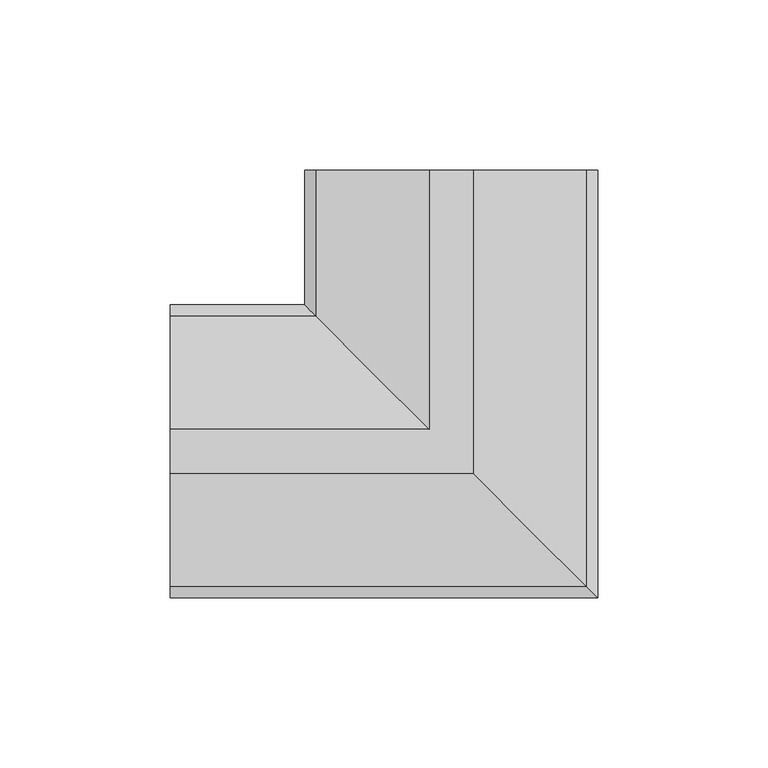
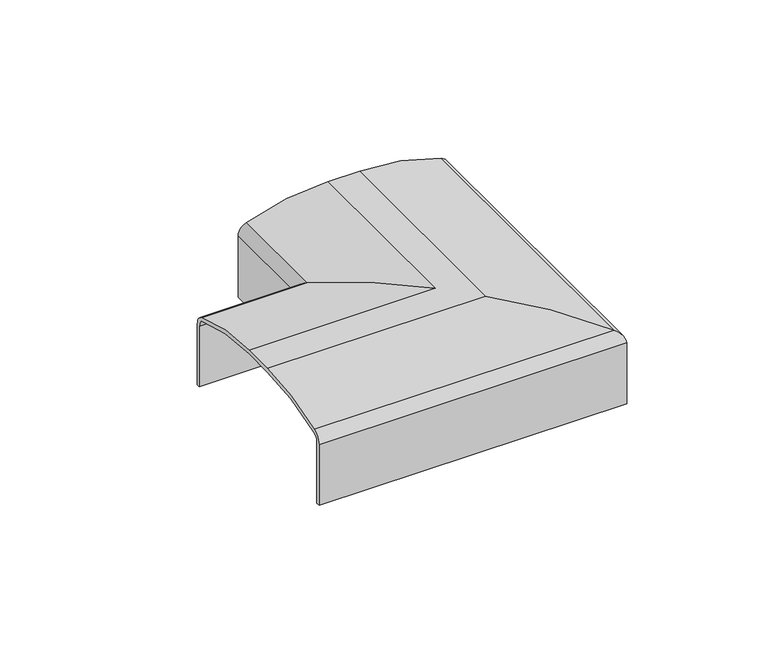
"""IFC4 building model written with IfcOpenShell, lengths in millimetres: proxy geometry."""

from ifc_helpers import new_model, si_unit, frame, origin, place, context, project, spatial, polyline, circle_curve, ellipse_curve, source, transform, mapped, element, save
from ifc_brep_helpers import plane_surface, cylinder_surface, revolved_surface, advanced_brep


def generic_models_224f447f(model_context):
    return source(origin(), model_context, "Body", "AdvancedBrep", [
        advanced_brep(
        [(43.0005548, 82.500555, -9.2098824), (43.0005548, 82.500555, -35.4217549), (41.5005548, 82.500555, -35.4217549), (41.5005548, 82.500555, -9.2881274), (39.2447947, 82.500555, -6.0167566), (6.5005548, 82.500555, 1e-07), (-6.4994452, 82.500555, 0.0), (-23.1456356, 82.500555, -1.5166706), (-39.223325, 82.500555, -6.0090156), (-41.4994452, 82.500555, -9.3098787), (-41.4994452, 82.500555, -35.4217549), (-42.9994452, 82.500555, -35.4217549), (-42.9994452, 82.500555, -9.2098824), (-39.7769308, 82.500555, -4.5364955), (-6.4994452, 82.500555, 1.5782451), (6.4994452, 82.500555, 1.5782451), (39.7769308, 82.500555, -4.5364955), (-82.4684984, -42.9988902, -9.2098824), (-82.4684984, -39.7763758, -4.5364955), (-82.4684984, -6.4988902, 1.5782451), (-82.4684984, 6.5000001, 1.5782451), (-82.4684984, 39.7774857, -4.5364955), (-82.4684984, 43.0000001, -9.2098824), (-82.4684984, 43.0000001, -35.4217549), (-82.4684984, 41.5000001, -35.4217549), (-82.4684984, 41.5000001, -9.3098787), (-82.4684984, 39.22388, -6.0090156), (-82.4684984, 23.1461903, -1.5166706), (-82.4684984, 6.5000001, 0.0), (-82.4684984, -6.4999999, 0.0), (-82.4684984, -39.2442398, -6.0167566), (-82.4684984, -41.4999999, -9.2881274), (-82.4684984, -41.4999999, -35.4217549), (-82.4684984, -42.9999999, -35.4217549), (43.0005548, -42.9988902, -9.2098824), (43.0005548, -42.9999999, -35.4217549), (41.5005548, -41.4999999, -35.4217549), (41.5005548, -41.4999999, -9.2881274), (39.2447947, -39.2442398, -6.0167566), (6.5005548, -6.4999999, 1e-07), (-6.4994452, 6.5000001, 0.0), (-23.1456356, 23.1461906, -1.5166706), (-39.223325, 39.22388, -6.0090156), (-41.4994452, 41.5000001, -9.3098787), (-41.4994452, 41.5000001, -35.4217549), (-42.9994452, 43.0000001, -35.4217549), (-42.9994452, 43.0000001, -9.2098824), (-39.7769308, 39.7774857, -4.5364955), (-6.4994452, 6.5000001, 1.5782451), (6.4994452, -6.4988902, 1.5782451), (39.7769308, -39.7763758, -4.5364955)],
        [
            (0, 1),
            (1, 2),
            (2, 3),
            (3, 4, circle_curve(frame((38.0005548, 82.500555, -9.2881274), z_axis=(0.0, -1.0, 0.0), x_axis=(1.0, 0.0, 0.0)), 3.5)),
            (4, 5, circle_curve(frame((6.5005548, 82.500555, -92.1083132), z_axis=(0.0, -1.0, 0.0), x_axis=(1.0, 0.0, 0.0)), 92.1083133)),
            (5, 6),
            (6, 7, circle_curve(frame((-6.4994452, 82.500555, -92.1083165), z_axis=(0.0, -1.0, 0.0), x_axis=(1.0, 0.0, 0.0)), 92.1083165)),
            (7, 8, circle_curve(frame((-6.4994452, 82.500555, -92.1083133), z_axis=(0.0, -1.0, 0.0), x_axis=(1.0, 0.0, 0.0)), 92.1083133)),
            (8, 9, circle_curve(frame((-38.3495818, 82.500555, -9.0466922), z_axis=(0.0, -1.0, 0.0), x_axis=(1.0, 0.0, 0.0)), 3.1608395)),
            (9, 10),
            (10, 11),
            (11, 12),
            (12, 13, circle_curve(frame((-37.9994452, 82.500555, -9.2098824), z_axis=(0.0, 1.0, 0.0), x_axis=(1.0, 0.0, 0.0)), 5.0)),
            (13, 14, circle_curve(frame((-6.4994452, 82.500555, -92.0300682), z_axis=(0.0, 1.0, 0.0), x_axis=(1.0, 0.0, 0.0)), 93.6083133)),
            (14, 15),
            (15, 16, circle_curve(frame((6.4994452, 82.500555, -92.0300682), z_axis=(0.0, 1.0, 0.0), x_axis=(1.0, 0.0, 0.0)), 93.6083133)),
            (16, 0, circle_curve(frame((37.9994452, 82.500555, -9.2098824), z_axis=(0.0, 1.0, 0.0), x_axis=(1.0, 0.0, 0.0)), 5.0)),
            (17, 18, circle_curve(frame((-82.4684984, -37.9988902, -9.2098824), z_axis=(-1.0, 0.0, 0.0), x_axis=(0.0, -1.0, 0.0)), 5.0)),
            (18, 19, circle_curve(frame((-82.4684984, -6.4988902, -92.0300682), z_axis=(-1.0, 0.0, 0.0), x_axis=(0.0, -1.0, 0.0)), 93.6083133)),
            (19, 20),
            (20, 21, circle_curve(frame((-82.4684984, 6.5000001, -92.0300682), z_axis=(-1.0, 0.0, 0.0), x_axis=(0.0, -1.0, 0.0)), 93.6083133)),
            (21, 22, circle_curve(frame((-82.4684984, 38.0000001, -9.2098824), z_axis=(-1.0, 0.0, 0.0), x_axis=(0.0, -1.0, 0.0)), 5.0)),
            (22, 23),
            (23, 24),
            (24, 25),
            (25, 26, circle_curve(frame((-82.4684984, 38.3501368, -9.0466922), z_axis=(1.0, 0.0, 0.0), x_axis=(0.0, -1.0, 0.0)), 3.1608395)),
            (26, 27, circle_curve(frame((-82.4684984, 6.5000001, -92.1083133), z_axis=(1.0, 0.0, 0.0), x_axis=(0.0, -1.0, 0.0)), 92.1083133)),
            (27, 28, circle_curve(frame((-82.4684984, 6.5000001, -92.1083165), z_axis=(1.0, 0.0, 0.0), x_axis=(0.0, -1.0, 0.0)), 92.1083165)),
            (28, 29),
            (29, 30, circle_curve(frame((-82.4684984, -6.4999999, -92.1083132), z_axis=(1.0, 0.0, 0.0), x_axis=(0.0, -1.0, 0.0)), 92.1083133)),
            (30, 31, circle_curve(frame((-82.4684984, -37.9999999, -9.2881274), z_axis=(1.0, 0.0, 0.0), x_axis=(0.0, -1.0, 0.0)), 3.5)),
            (31, 32),
            (32, 33),
            (33, 17),
            (0, 34),
            (34, 35),
            (35, 1),
            (35, 33),
            (32, 36),
            (36, 2),
            (36, 37),
            (37, 3),
            (37, 38, ellipse_curve(frame((38.0005548, -37.9999999, -9.2881274), z_axis=(-0.7071067811865475, -0.7071067811865475, 0.0), x_axis=(0.7071067811865474, -0.7071067811865476, 0.0)), 4.9497475, 3.5)),
            (38, 4),
            (38, 39, ellipse_curve(frame((6.5005548, -6.4999999, -92.1083132), z_axis=(-0.7071067811865475, -0.7071067811865475, 0.0), x_axis=(0.7071067811865474, -0.7071067811865476, 0.0)), 130.2608259, 92.1083133)),
            (39, 5),
            (39, 29),
            (28, 40),
            (40, 6),
            (40, 41, ellipse_curve(frame((-6.4994452, 6.5000001, -92.1083165), z_axis=(-0.7071067811865475, -0.7071067811865475, 0.0), x_axis=(0.7071067811865474, -0.7071067811865476, 0.0)), 130.2608304, 92.1083165)),
            (41, 7),
            (41, 42, ellipse_curve(frame((-6.4994452, 6.5000001, -92.1083133), z_axis=(-0.7071067811865475, -0.7071067811865475, 0.0), x_axis=(0.7071067811865474, -0.7071067811865476, 0.0)), 130.2608259, 92.1083133)),
            (42, 8),
            (42, 43, ellipse_curve(frame((-38.3495818, 38.3501368, -9.0466922), z_axis=(-0.7071067811865475, -0.7071067811865475, 0.0), x_axis=(0.7071067811865474, -0.7071067811865476, 0.0)), 4.4701021, 3.1608395)),
            (43, 9),
            (43, 44),
            (44, 10),
            (44, 24),
            (23, 45),
            (45, 11),
            (45, 46),
            (46, 12),
            (46, 47, ellipse_curve(frame((-37.9994452, 38.0000001, -9.2098824), z_axis=(0.7071067811865475, 0.7071067811865475, 0.0), x_axis=(-0.7071067811865474, 0.7071067811865476, 0.0)), 7.0710678, 5.0)),
            (47, 13),
            (47, 48, ellipse_curve(frame((-6.4994452, 6.5000001, -92.0300682), z_axis=(0.7071067811865475, 0.7071067811865475, 0.0), x_axis=(-0.7071067811865474, 0.7071067811865476, 0.0)), 132.3821462, 93.6083133)),
            (48, 14),
            (48, 20),
            (19, 49),
            (49, 15),
            (34, 17),
            (31, 37),
            (30, 38),
            (27, 41),
            (26, 42),
            (25, 43),
            (22, 46),
            (21, 47),
            (16, 50),
            (50, 34, ellipse_curve(frame((37.9994452, -37.9988902, -9.2098824), z_axis=(0.7071067811865475, 0.7071067811865475, 0.0), x_axis=(-0.7071067811865474, 0.7071067811865476, 0.0)), 7.0710678, 5.0)),
            (50, 18),
            (49, 50, ellipse_curve(frame((6.4994452, -6.4988902, -92.0300682), z_axis=(0.7071067811865475, 0.7071067811865475, 0.0), x_axis=(-0.7071067811865474, 0.7071067811865476, 0.0)), 132.3821462, 93.6083133)),
        ],
        [
            plane_surface(frame((0.0, 82.500555, 0.0), z_axis=(0.0, 1.0, 0.0), x_axis=(0.0, 0.0, 1.0))),
            plane_surface(frame((-82.4684984, 0.000555, 0.0), z_axis=(-1.0, 0.0, 0.0), x_axis=(0.0, 0.0, 1.0))),
            plane_surface(frame((43.0005548, 82.500555, -9.2098824), z_axis=(1.0, 0.0, 0.0), x_axis=(0.0, -1.0, 0.0))),
            plane_surface(frame((43.0005548, 82.500555, -35.4217549), z_axis=(0.0, 0.0, -1.0), x_axis=(0.0, -1.0, 0.0))),
            plane_surface(frame((41.5005548, 82.500555, -35.4217549), z_axis=(-1.0, 0.0, 0.0), x_axis=(0.0, -1.0, 0.0))),
            revolved_surface(polyline([(41.5005548, -41.49999992241115, -9.2881274), (41.5005548, 82.500555, -9.2881274)]), (38.0005548, 82.500555, -9.2881274), (0.0, -1.0, 0.0)),
            revolved_surface(polyline([(98.60886810000001, -98.60831321685028, -92.1083132), (98.60886810000001, 85.60831341685025, -92.1083132)]), (6.5005548, 82.500555, -92.1083132), (0.0, -1.0, 0.0)),
            plane_surface(frame((6.5005548, 82.500555, 0.0), z_axis=(0.0, 0.0, -1.0), x_axis=(0.0, -1.0, 0.0))),
            revolved_surface(polyline([(85.6088713, -85.60831639883078, -92.1083165), (85.6088713, 98.60831659883078, -92.1083165)]), (-6.4994452, 82.500555, -92.1083165), (0.0, -1.0, 0.0)),
            revolved_surface(polyline([(85.60886810000001, -85.60831321685028, -92.1083133), (85.60886810000001, 98.60831341685025, -92.1083133)]), (-6.4994452, 82.500555, -92.1083133), (0.0, -1.0, 0.0)),
            revolved_surface(polyline([(-35.1887423, 35.18929729249378, -9.0466922), (-35.1887423, 82.500555, -9.0466922)]), (-38.3495818, 82.500555, -9.0466922), (0.0, -1.0, 0.0)),
            plane_surface(frame((-41.4994452, 82.500555, -9.3098787), z_axis=(1.0, 0.0, 0.0), x_axis=(0.0, -1.0, 0.0))),
            plane_surface(frame((-41.4994452, 82.500555, -35.4217549), z_axis=(0.0, 0.0, -1.0), x_axis=(0.0, -1.0, 0.0))),
            plane_surface(frame((-42.9994452, 82.500555, -35.4217549), z_axis=(-1.0, 0.0, 0.0), x_axis=(0.0, -1.0, 0.0))),
            cylinder_surface(frame((-37.9994452, 82.500555, -9.2098824), z_axis=(0.0, 1.0, 0.0), x_axis=(1.0, 0.0, 0.0)), 5.0),
            cylinder_surface(frame((-6.4994452, 82.500555, -92.0300682), z_axis=(0.0, 1.0, 0.0), x_axis=(1.0, 0.0, 0.0)), 93.6083133),
            plane_surface(frame((-6.4994452, 82.500555, 1.5782451), z_axis=(0.0, 0.0, 1.0), x_axis=(0.0, -1.0, 0.0))),
            plane_surface(frame((43.0005548, -42.9999999, -9.2098824), z_axis=(0.0, -1.0, 0.0), x_axis=(-1.0, 0.0, 0.0))),
            plane_surface(frame((41.5005548, -41.4999999, -35.4217549), z_axis=(0.0, 1.0, 0.0), x_axis=(-1.0, 0.0, 0.0))),
            revolved_surface(polyline([(-82.4684984, -41.4999999, -9.2881274), (41.50055482241116, -41.4999999, -9.2881274)]), (0.0, -37.9999999, -9.2881274), (-1.0, 0.0, 0.0)),
            revolved_surface(polyline([(-85.60775851685023, -98.60831320000001, -92.1083132), (98.60886811685023, -98.60831320000001, -92.1083132)]), (0.0, -6.4999999, -92.1083132), (-1.0, 0.0, 0.0)),
            revolved_surface(polyline([(-98.60776169883076, -85.6083164, -92.1083165), (85.60887129883076, -85.6083164, -92.1083165)]), (0.0, 6.5000001, -92.1083165), (-1.0, 0.0, 0.0)),
            revolved_surface(polyline([(-98.60775851685023, -85.60831320000001, -92.1083133), (85.60886811685023, -85.60831320000001, -92.1083133)]), (0.0, 6.5000001, -92.1083133), (-1.0, 0.0, 0.0)),
            revolved_surface(polyline([(-82.4684984, 35.1892973, -9.0466922), (-35.18874229249378, 35.1892973, -9.0466922)]), (0.0, 38.3501368, -9.0466922), (-1.0, 0.0, 0.0)),
            plane_surface(frame((-41.4994452, 41.5000001, -9.3098787), z_axis=(0.0, -1.0, 0.0), x_axis=(-1.0, 0.0, 0.0))),
            plane_surface(frame((-42.9994452, 43.0000001, -35.4217549), z_axis=(0.0, 1.0, 0.0), x_axis=(-1.0, 0.0, 0.0))),
            cylinder_surface(frame((0.0, 38.0000001, -9.2098824), z_axis=(1.0, 0.0, 0.0), x_axis=(0.0, -1.0, 0.0)), 5.0),
            cylinder_surface(frame((0.0, 6.5000001, -92.0300682), z_axis=(1.0, 0.0, 0.0), x_axis=(0.0, -1.0, 0.0)), 93.6083133),
            cylinder_surface(frame((37.9994452, 82.500555, -9.2098824), z_axis=(0.0, 1.0, 0.0), x_axis=(1.0, 0.0, 0.0)), 5.0),
            cylinder_surface(frame((0.0, -37.9988902, -9.2098824), z_axis=(1.0, 0.0, 0.0), x_axis=(0.0, -1.0, 0.0)), 5.0),
            cylinder_surface(frame((6.4994452, 82.500555, -92.0300682), z_axis=(0.0, 1.0, 0.0), x_axis=(1.0, 0.0, 0.0)), 93.6083133),
            cylinder_surface(frame((0.0, -6.4988902, -92.0300682), z_axis=(1.0, 0.0, 0.0), x_axis=(0.0, -1.0, 0.0)), 93.6083133),
        ],
        [
            (0, [[1, 2, 3, 4, 5, 6, 7, 8, 9, 10, 11, 12, 13, 14, 15, 16, 17]]),
            (1, [[18, 19, 20, 21, 22, 23, 24, 25, 26, 27, 28, 29, 30, 31, 32, 33, 34]]),
            (2, [[-1, 35, 36, 37]]),
            (3, [[-2, -37, 38, -33, 39, 40]]),
            (4, [[-3, -40, 41, 42]]),
            (5, [[-4, -42, 43, 44]]),
            (6, [[-5, -44, 45, 46]]),
            (7, [[-6, -46, 47, -29, 48, 49]]),
            (8, [[-7, -49, 50, 51]]),
            (9, [[-8, -51, 52, 53]]),
            (10, [[-9, -53, 54, 55]]),
            (11, [[-10, -55, 56, 57]]),
            (12, [[-11, -57, 58, -24, 59, 60]]),
            (13, [[-12, -60, 61, 62]]),
            (14, [[-13, -62, 63, 64]]),
            (15, [[-14, -64, 65, 66]]),
            (16, [[-15, -66, 67, -20, 68, 69]]),
            (17, [[-36, 70, -34, -38]]),
            (18, [[-41, -39, -32, 71]]),
            (19, [[-43, -71, -31, 72]]),
            (20, [[-45, -72, -30, -47]]),
            (21, [[-50, -48, -28, 73]]),
            (22, [[-52, -73, -27, 74]]),
            (23, [[-54, -74, -26, 75]]),
            (24, [[-56, -75, -25, -58]]),
            (25, [[-61, -59, -23, 76]]),
            (26, [[-63, -76, -22, 77]]),
            (27, [[-65, -77, -21, -67]]),
            (28, [[-17, 78, 79, -35]]),
            (29, [[-79, 80, -18, -70]]),
            (30, [[-16, -69, 81, -78]]),
            (31, [[-81, -68, -19, -80]]),
        ],
    ),
    ])


if __name__ == "__main__":
    model = new_model("IFC4")
    model_context = context("Model", 3, world=origin())
    ifc_project = project(units=[si_unit("LENGTHUNIT", "METRE", prefix="MILLI")], contexts=[model_context])
    site = spatial("IfcSite", under=ifc_project)
    building = spatial("IfcBuilding", under=site)
    placement = place(None, origin())
    generic_models_shape = generic_models_224f447f(model_context)
    element("IfcBuildingElementProxy", 1, Name="Generic Models", at=placement, inside=building, context=model_context, shape_type="MappedRepresentation", body=[
        mapped(generic_models_shape, transform((0.0, 0.0, 0.0), x_axis=(1.0, 0.0, 0.0), y_axis=(0.0, 1.0, 0.0), z_axis=(0.0, 0.0, 1.0))),
    ])
    save(model, "model.ifc")
